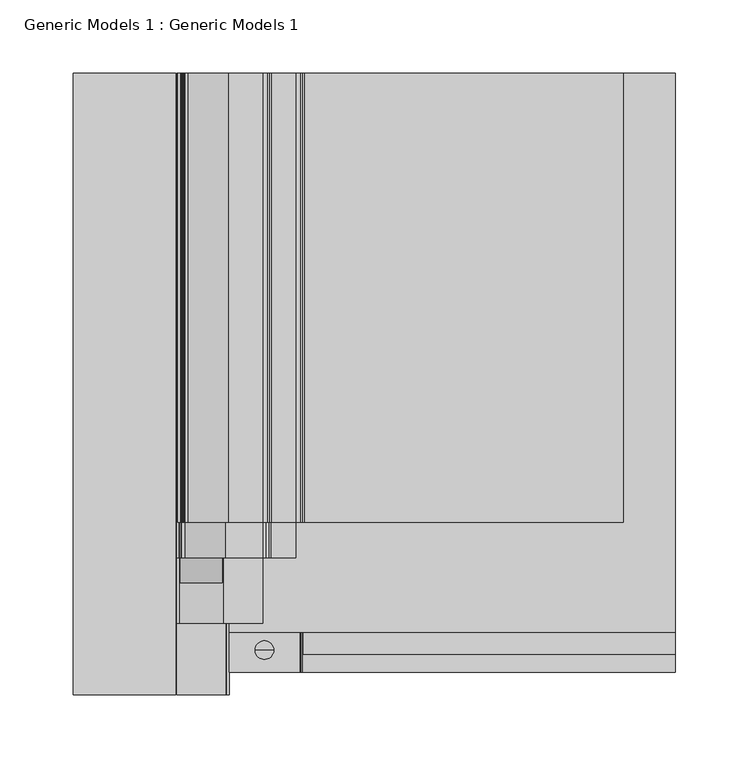
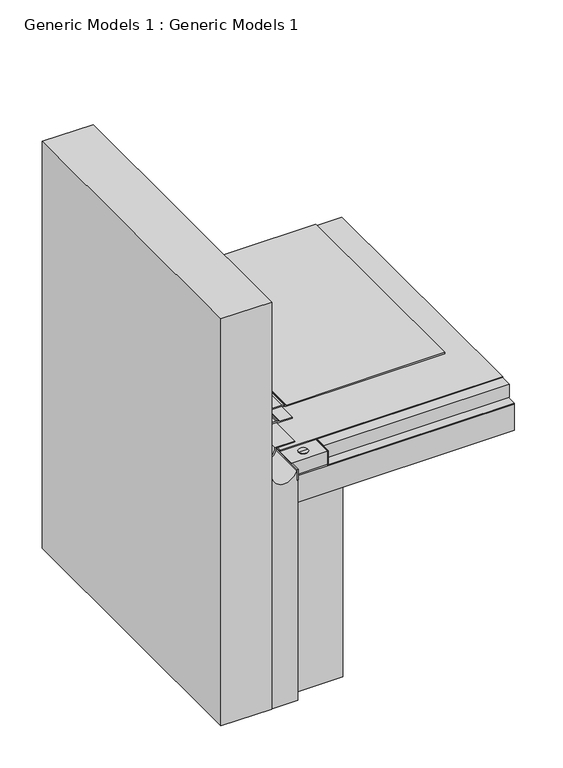
"""IFC4 building model written with IfcOpenShell, lengths in millimetres: proxy geometry, Generic Models 1 : Generic Models 1."""

from ifc_helpers import new_model, si_unit, point, frame, frame_2d, origin, place, context, project, spatial, polyline, circle_curve, trimmed, segment, composite_curve, outline, extrude, source, transform, mapped, element, save
from ifc_brep_helpers import plane_surface, cylinder_surface, advanced_brep


def generic_models_1_generic_models_1_cb2f5822(model_context):
    return source(origin(), model_context, "Body", "SolidModel", [
        advanced_brep(
        [(106.0038146, 0.0, 323.4033821), (104.3399354, 0.0, 323.4033821), (105.171875, 0.0, 323.4033821), (106.0038146, 0.0, 363.5370769), (104.3399354, 0.0, 363.5370769), (111.521875, 0.0, 363.5370769), (98.821875, 0.0, 363.5370769), (111.521875, 0.0, 366.6967164), (98.821875, 0.0, 366.6967164), (105.171875, 0.0, 366.6967164)],
        [
            (0, 1, circle_curve(frame((105.171875, 0.0, 323.4033821), z_axis=(0.0, 0.0, -1.0), x_axis=(-1.0, 0.0, 0.0)), 0.8319396)),
            (1, 2),
            (2, 0),
            (1, 0, circle_curve(frame((105.171875, 0.0, 323.4033821), z_axis=(0.0, 0.0, -1.0), x_axis=(-1.0, 0.0, 0.0)), 0.8319396)),
            (3, 4, circle_curve(frame((105.171875, 0.0, 363.5370769), z_axis=(0.0, 0.0, -1.0), x_axis=(-1.0, 0.0, 0.0)), 0.8319396)),
            (4, 1),
            (0, 3),
            (4, 3, circle_curve(frame((105.171875, 0.0, 363.5370769), z_axis=(0.0, 0.0, -1.0), x_axis=(-1.0, 0.0, 0.0)), 0.8319396)),
            (5, 6, circle_curve(frame((105.171875, 0.0, 363.5370769), z_axis=(0.0, 0.0, -1.0), x_axis=(-1.0, 0.0, 0.0)), 6.35)),
            (6, 4),
            (3, 5),
            (6, 5, circle_curve(frame((105.171875, 0.0, 363.5370769), z_axis=(0.0, 0.0, -1.0), x_axis=(-1.0, 0.0, 0.0)), 6.35)),
            (7, 8, circle_curve(frame((105.171875, 0.0, 366.6967164), z_axis=(0.0, 0.0, -1.0), x_axis=(-1.0, 0.0, 0.0)), 6.35)),
            (8, 6),
            (5, 7),
            (8, 7, circle_curve(frame((105.171875, 0.0, 366.6967164), z_axis=(0.0, 0.0, -1.0), x_axis=(-1.0, 0.0, 0.0)), 6.35)),
            (9, 8),
            (7, 9),
        ],
        [
            plane_surface(frame((105.171875, 0.0, 323.4033821), z_axis=(0.0, 0.0, -1.0), x_axis=(-1.0, 0.0, 0.0))),
            cylinder_surface(frame((105.171875, 0.0, 366.6967164), z_axis=(0.0, 0.0, 1.0), x_axis=(-1.0, 0.0, 0.0)), 0.8319396),
            plane_surface(frame((105.171875, 0.0, 363.5370769), z_axis=(0.0, 0.0, -1.0), x_axis=(-1.0, 0.0, 0.0))),
            cylinder_surface(frame((105.171875, 0.0, 366.6967164), z_axis=(0.0, 0.0, 1.0), x_axis=(-1.0, 0.0, 0.0)), 6.35),
            plane_surface(frame((105.171875, 0.0, 366.6967164), z_axis=(0.0, 0.0, 1.0), x_axis=(-1.0, 0.0, 0.0))),
        ],
        [
            (0, [[1, 2, 3]]),
            (0, [[4, -3, -2]]),
            (1, [[5, 6, -1, 7]]),
            (1, [[8, -7, -4, -6]]),
            (2, [[9, 10, -5, 11]]),
            (2, [[12, -11, -8, -10]]),
            (3, [[13, 14, -9, 15]]),
            (3, [[16, -15, -12, -14]]),
            (4, [[17, -13, 18]]),
            (4, [[-18, -16, -17]]),
        ],
    ),
        extrude(outline(polyline([(80.9625, 393.8469389), (129.38125, 393.8469389), (129.38125, -15.1880793), (80.9625, -15.1880793), (80.9625, 393.8469389)])), frame((0.0, 0.0, 347.2498414), z_axis=(0.0, 0.0, 1.0), x_axis=(1.0, 0.0, 0.0)), (0.0, 0.0, 1.0), 19.05),
        extrude(outline(polyline([(345.6623414, 385.7625), (346.4560914, 385.7625), (346.4560914, 130.96875), (366.2998414, 130.96875), (366.2998414, 130.175), (345.6623414, 130.175), (345.6623414, 385.7625)])), frame((0.0, -15.1880793, 0.0), z_axis=(0.0, 1.0, 0.0), x_axis=(0.0, 0.0, 1.0)), (0.0, 0.0, 1.0), 409.0350182),
        extrude(outline(polyline([(80.9625, 393.8469389), (385.7625, 393.8469389), (385.7625, -15.1880793), (80.9625, -15.1880793), (80.9625, 393.8469389)])), frame((0.0, 0.0, 306.7685914), z_axis=(0.0, 0.0, 1.0), x_axis=(1.0, 0.0, 0.0)), (0.0, 0.0, 1.0), 38.1),
        extrude(outline(polyline([(150.8125, -15.1880793), (80.9625, -15.1880793), (80.9625, 393.8469389), (150.8125, 393.8469389), (150.8125, -15.1880793)])), frame((0.0, 0.0, 31.75), z_axis=(0.0, 0.0, 1.0), x_axis=(1.0, 0.0, 0.0)), (0.0, 0.0, 1.0), 275.0185914),
        extrude(outline(composite_curve([segment(polyline([(371.8823839, 79.2100655), (371.8823839, 104.0711194)]), True, "CONTINUOUS"), segment(trimmed(circle_curve(frame_2d((366.3261339, 104.0711194)), 5.55625), [point((371.8823839, 104.0711194))], [point((371.3618066, 106.4192922))], True, "CARTESIAN"), True, "CONTINUOUS"), segment(polyline([(371.3618066, 106.4192922), (370.7148005, 107.8068011)]), True, "CONTINUOUS"), segment(trimmed(circle_curve(frame_2d((375.0310914, 109.8195206)), 4.7625), [point((370.7148005, 107.8068011))], [point((370.2685914, 109.8195206))], False, "CARTESIAN"), True, "CONTINUOUS"), segment(polyline([(370.2685914, 109.8195206), (370.2685914, 126.4920393)]), True, "CONTINUOUS"), segment(trimmed(circle_curve(frame_2d((364.7123414, 126.4920393)), 5.55625), [point((370.2685914, 126.4920393))], [point((369.748014, 128.840212))], True, "CARTESIAN"), True, "CONTINUOUS"), segment(polyline([(369.748014, 128.840212), (369.101008, 130.227721)]), True, "CONTINUOUS"), segment(trimmed(circle_curve(frame_2d((373.4172988, 132.2404405)), 4.7625), [point((369.101008, 130.227721))], [point((368.6547988, 132.2404405))], False, "CARTESIAN"), True, "CONTINUOUS"), segment(polyline([(368.6547988, 132.2404405), (368.6547988, 349.9692558), (370.2422988, 349.9692558), (370.2422988, 132.2404405)]), True, "CONTINUOUS"), segment(trimmed(circle_curve(frame_2d((373.4172988, 132.2404405)), 3.175), [point((370.2422988, 132.2404405))], [point((370.5397716, 130.8986275))], True, "CARTESIAN"), True, "CONTINUOUS"), segment(polyline([(370.5397716, 130.8986275), (371.1867776, 129.5111185)]), True, "CONTINUOUS"), segment(trimmed(circle_curve(frame_2d((364.7123414, 126.4920393)), 7.14375), [point((371.1867776, 129.5111185))], [point((371.8560914, 126.4920393))], False, "CARTESIAN"), True, "CONTINUOUS"), segment(polyline([(371.8560914, 126.4920393), (371.8560914, 109.8195206)]), True, "CONTINUOUS"), segment(trimmed(circle_curve(frame_2d((375.0310914, 109.8195206)), 3.175), [point((371.8560914, 109.8195206))], [point((372.1535641, 108.4777076))], True, "CARTESIAN"), True, "CONTINUOUS"), segment(polyline([(372.1535641, 108.4777076), (372.8005702, 107.0901987)]), True, "CONTINUOUS"), segment(trimmed(circle_curve(frame_2d((366.3261339, 104.0711194)), 7.14375), [point((372.8005702, 107.0901987))], [point((373.4698839, 104.0711194))], False, "CARTESIAN"), True, "CONTINUOUS"), segment(polyline([(373.4698839, 104.0711194), (373.4698839, 80.5416976)]), True, "CONTINUOUS"), segment(trimmed(circle_curve(frame_2d((369.4879876, 61.9125)), 19.05), [point((373.4698839, 80.5416976))], [point((386.3876302, 53.1201976))], False, "CARTESIAN"), True, "CONTINUOUS"), segment(trimmed(circle_curve(frame_2d((387.7959337, 52.3875057)), 1.5875), [point((386.3876302, 53.1201976))], [point((387.7959337, 50.8000057))], True, "CARTESIAN"), True, "CONTINUOUS"), segment(polyline([(387.7959337, 50.8000057), (396.7434379, 50.8000057)]), True, "CONTINUOUS"), segment(trimmed(circle_curve(frame_2d((396.7434379, 43.6562557)), 7.14375), [point((396.7434379, 50.8000057))], [point((399.7625171, 50.130692))], False, "CARTESIAN"), True, "CONTINUOUS"), segment(polyline([(399.7625171, 50.130692), (401.150026, 49.4836859)]), True, "CONTINUOUS"), segment(trimmed(circle_curve(frame_2d((402.491839, 52.3612132)), 3.175), [point((401.150026, 49.4836859))], [point((402.491839, 49.1862132))], True, "CARTESIAN"), True, "CONTINUOUS"), segment(polyline([(402.491839, 49.1862132), (419.1643577, 49.1862132)]), True, "CONTINUOUS"), segment(trimmed(circle_curve(frame_2d((419.1643577, 42.0424632)), 7.14375), [point((419.1643577, 49.1862132))], [point((422.183437, 48.5168994))], False, "CARTESIAN"), True, "CONTINUOUS"), segment(polyline([(422.183437, 48.5168994), (423.5709459, 47.8698934)]), True, "CONTINUOUS"), segment(trimmed(circle_curve(frame_2d((424.9127589, 50.7474206)), 3.175), [point((423.5709459, 47.8698934))], [point((424.9127589, 47.5724206))], True, "CARTESIAN"), True, "CONTINUOUS"), segment(polyline([(424.9127589, 47.5724206), (583.3108186, 47.5724206), (583.3108186, 45.9849206), (424.9127589, 45.9849206)]), True, "CONTINUOUS"), segment(trimmed(circle_curve(frame_2d((424.9127589, 50.7474206)), 4.7625), [point((424.9127589, 45.9849206))], [point((422.9000394, 46.4311298))], False, "CARTESIAN"), True, "CONTINUOUS"), segment(polyline([(422.9000394, 46.4311298), (421.5125305, 47.0781358)]), True, "CONTINUOUS"), segment(trimmed(circle_curve(frame_2d((419.1643577, 42.0424632)), 5.55625), [point((421.5125305, 47.0781358))], [point((419.1643577, 47.5987132))], True, "CARTESIAN"), True, "CONTINUOUS"), segment(polyline([(419.1643577, 47.5987132), (402.491839, 47.5987132)]), True, "CONTINUOUS"), segment(trimmed(circle_curve(frame_2d((402.491839, 52.3612132)), 4.7625), [point((402.491839, 47.5987132))], [point((400.4791195, 48.0449223))], False, "CARTESIAN"), True, "CONTINUOUS"), segment(polyline([(400.4791195, 48.0449223), (399.0916106, 48.6919284)]), True, "CONTINUOUS"), segment(trimmed(circle_curve(frame_2d((396.7434379, 43.6562557)), 5.55625), [point((399.0916106, 48.6919284))], [point((396.7434379, 49.2125057))], True, "CARTESIAN"), True, "CONTINUOUS"), segment(polyline([(396.7434379, 49.2125057), (387.7959337, 49.2125057)]), True, "CONTINUOUS"), segment(trimmed(circle_curve(frame_2d((387.7959337, 52.3875057)), 3.175), [point((387.7959337, 49.2125057))], [point((384.9793267, 53.8528895))], False, "CARTESIAN"), True, "CONTINUOUS"), segment(trimmed(circle_curve(frame_2d((369.4879876, 61.9125)), 17.4625), [point((384.9793267, 53.8528895))], [point((371.8823839, 79.2100655))], True, "CARTESIAN"), True, "CONTINUOUS")], self_intersect=False)), frame((0.0, 87.3730793, 0.0), z_axis=(0.0, 1.0, 0.0), x_axis=(0.0, 0.0, 1.0)), (0.0, 0.0, 1.0), 306.4738597),
        extrude(outline(composite_curve([segment(polyline([(371.0886339, 104.0711194), (371.0886339, 78.5042196)]), True, "CONTINUOUS"), segment(trimmed(circle_curve(frame_2d((369.4879876, 61.9125)), 16.66875), [point((371.0886339, 78.5042196))], [point((382.1240612, 51.0415813))], False, "CARTESIAN"), True, "CONTINUOUS"), segment(trimmed(circle_curve(frame_2d((383.3274967, 50.0062557)), 1.5875), [point((382.1240612, 51.0415813))], [point((383.3274967, 48.4187557))], True, "CARTESIAN"), True, "CONTINUOUS"), segment(polyline([(383.3274967, 48.4187557), (396.5785091, 48.4187557)]), True, "CONTINUOUS"), segment(trimmed(circle_curve(frame_2d((396.5785091, 43.6562557)), 4.7625), [point((396.5785091, 48.4187557))], [point((398.5912286, 47.9725466))], False, "CARTESIAN"), True, "CONTINUOUS"), segment(polyline([(398.5912286, 47.9725466), (400.4571868, 47.1024359)]), True, "CONTINUOUS"), segment(trimmed(circle_curve(frame_2d((401.7989998, 49.9799632)), 3.175), [point((400.4571868, 47.1024359))], [point((401.7989998, 46.8049632))], True, "CARTESIAN"), True, "CONTINUOUS"), segment(polyline([(401.7989998, 46.8049632), (418.999429, 46.8049632), (418.999429, 45.2174632), (401.7989998, 45.2174632)]), True, "CONTINUOUS"), segment(trimmed(circle_curve(frame_2d((401.7989998, 49.9799632)), 4.7625), [point((401.7989998, 45.2174632))], [point((399.7862803, 45.6636723))], False, "CARTESIAN"), True, "CONTINUOUS"), segment(polyline([(399.7862803, 45.6636723), (397.9203221, 46.533783)]), True, "CONTINUOUS"), segment(trimmed(circle_curve(frame_2d((396.5785091, 43.6562557)), 3.175), [point((397.9203221, 46.533783))], [point((396.5785091, 46.8312557))], True, "CARTESIAN"), True, "CONTINUOUS"), segment(polyline([(396.5785091, 46.8312557), (383.3274967, 46.8312557)]), True, "CONTINUOUS"), segment(trimmed(circle_curve(frame_2d((383.3274967, 50.0062557)), 3.175), [point((383.3274967, 46.8312557))], [point((380.9206256, 52.0769069))], False, "CARTESIAN"), True, "CONTINUOUS"), segment(trimmed(circle_curve(frame_2d((369.4879876, 61.9125)), 15.08125), [point((380.9206256, 52.0769069))], [point((369.5011339, 76.9937443))], True, "CARTESIAN"), True, "CONTINUOUS"), segment(polyline([(369.5011339, 76.9937443), (369.5011339, 104.0711194)]), True, "CONTINUOUS"), segment(trimmed(circle_curve(frame_2d((366.3261339, 104.0711194)), 3.175), [point((369.5011339, 104.0711194))], [point((369.2036612, 105.4129324))], True, "CARTESIAN"), True, "CONTINUOUS"), segment(polyline([(369.2036612, 105.4129324), (368.3335505, 107.2788907)]), True, "CONTINUOUS"), segment(trimmed(circle_curve(frame_2d((372.6498414, 109.2916102)), 4.7625), [point((368.3335505, 107.2788907))], [point((367.8873414, 109.2916102))], False, "CARTESIAN"), True, "CONTINUOUS"), segment(polyline([(367.8873414, 109.2916102), (367.8873414, 126.4920393), (369.4748414, 126.4920393), (369.4748414, 109.2916102)]), True, "CONTINUOUS"), segment(trimmed(circle_curve(frame_2d((372.6498414, 109.2916102)), 3.175), [point((369.4748414, 109.2916102))], [point((369.7723141, 107.9497972))], True, "CARTESIAN"), True, "CONTINUOUS"), segment(polyline([(369.7723141, 107.9497972), (370.6424248, 106.0838389)]), True, "CONTINUOUS"), segment(trimmed(circle_curve(frame_2d((366.3261339, 104.0711194)), 4.7625), [point((370.6424248, 106.0838389))], [point((371.0886339, 104.0711194))], False, "CARTESIAN"), True, "CONTINUOUS")], self_intersect=False)), frame((0.0, 62.966143, 0.0), z_axis=(0.0, 1.0, 0.0), x_axis=(0.0, 0.0, 1.0)), (0.0, 0.0, 1.0), 330.8807959),
        extrude(outline(composite_curve([segment(trimmed(circle_curve(frame_2d((369.4879876, 61.9125)), 14.2875), [point((369.4879876, 47.625))], [point((369.4879876, 76.2))], False, "CARTESIAN"), True, "CONTINUOUS"), segment(trimmed(circle_curve(frame_2d((369.4879876, 61.9125)), 14.2875), [point((369.4879876, 76.2))], [point((369.4879876, 47.625))], False, "CARTESIAN"), True, "CONTINUOUS")], self_intersect=False)), frame((0.0, 45.9883001, 0.0), z_axis=(0.0, 1.0, 0.0), x_axis=(0.0, 0.0, 1.0)), (0.0, 0.0, 1.0), 347.8586389),
        extrude(outline(polyline([(79.375, 393.8469389), (80.9625, 393.8469389), (80.9625, -30.4208852), (79.375, -30.4208852), (79.375, 393.8469389)])), frame((0.0, 0.0, 351.2118848), z_axis=(0.0, 0.0, 1.0), x_axis=(1.0, 0.0, 0.0)), (0.0, 0.0, 1.0), 15.0879565),
        extrude(outline(polyline([(80.9625, 393.8469389), (385.7625, 393.8469389), (385.7625, 12.1737536), (80.9625, 12.1737536), (80.9625, 393.8469389)])), frame((0.0, 0.0, 367.0935914), z_axis=(0.0, 0.0, 1.0), x_axis=(1.0, 0.0, 0.0)), (0.0, 0.0, 1.0), 0.79375),
        extrude(outline(polyline([(131.7625, 393.8469389), (385.7625, 393.8469389), (385.7625, -2.9813884), (131.7625, -2.9813884), (131.7625, 393.8469389)])), frame((0.0, 0.0, 347.2498414), z_axis=(0.0, 0.0, 1.0), x_axis=(1.0, 0.0, 0.0)), (0.0, 0.0, 1.0), 19.05),
        extrude(outline(composite_curve([segment(polyline([(364.2830208, 45.24375), (31.75, 45.24375), (31.75, 80.16875), (350.4181348, 80.16875), (350.4181348, 78.58125), (364.2830208, 78.58125)]), True, "CONTINUOUS"), segment(trimmed(circle_curve(frame_2d((369.4879876, 61.9125)), 17.4625), [point((364.2830208, 78.58125))], [point((364.2830208, 45.24375))], True, "CARTESIAN"), True, "CONTINUOUS")], self_intersect=False)), frame((0.0, -30.4208852, 0.0), z_axis=(0.0, 1.0, 0.0), x_axis=(0.0, 0.0, 1.0)), (0.0, 0.0, 1.0), 424.2678241),
        extrude(outline(composite_curve([segment(polyline([(367.8873414, 103.98125), (369.4748414, 103.98125), (369.4748414, 76.9937443)]), True, "CONTINUOUS"), segment(trimmed(circle_curve(frame_2d((369.4879876, 61.9125)), 15.08125), [point((369.4748414, 76.9937443))], [point((369.4879876, 46.83125))], True, "CARTESIAN"), True, "CONTINUOUS"), segment(polyline([(369.4879876, 46.83125), (395.6144945, 46.83125), (395.6144945, 45.24375), (369.4879876, 45.24375)]), True, "CONTINUOUS"), segment(trimmed(circle_curve(frame_2d((369.4879876, 61.9125)), 16.66875), [point((369.4879876, 45.24375))], [point((367.8873414, 78.5042196))], False, "CARTESIAN"), True, "CONTINUOUS"), segment(polyline([(367.8873414, 78.5042196), (367.8873414, 103.98125)]), True, "CONTINUOUS")], self_intersect=False)), frame((0.0, 18.3920053, 0.0), z_axis=(0.0, 1.0, 0.0), x_axis=(0.0, 0.0, 1.0)), (0.0, 0.0, 1.0), 375.4549336),
        extrude(outline(polyline([(44.45, -30.4208852), (-25.4, -30.4208852), (-25.4, 393.8469389), (44.45, 393.8469389), (44.45, -30.4208852)])), frame((0.0, 0.0, 31.75), z_axis=(0.0, 0.0, 1.0), x_axis=(1.0, 0.0, 0.0)), (0.0, 0.0, 1.0), 589.9629392),
    ])


if __name__ == "__main__":
    model = new_model("IFC4")
    model_context = context("Model", 3, world=origin())
    ifc_project = project(units=[si_unit("LENGTHUNIT", "METRE", prefix="MILLI")], contexts=[model_context])
    site = spatial("IfcSite", under=ifc_project)
    building = spatial("IfcBuilding", under=site)
    placement = place(None, origin())
    generic_models_1_generic_models_1_shape = generic_models_1_generic_models_1_cb2f5822(model_context)
    element("IfcBuildingElementProxy", 1, Name="Generic Models 1 : Generic Models 1", ObjectType="Generic Models 1 : Generic Models 1", at=placement, inside=building, context=model_context, shape_type="MappedRepresentation", body=[
        mapped(generic_models_1_generic_models_1_shape, transform((0.0, 0.0, 0.0), x_axis=(1.0, 0.0, 0.0), y_axis=(0.0, 1.0, 0.0), z_axis=(0.0, 0.0, 1.0))),
    ])
    save(model, "model.ifc")
